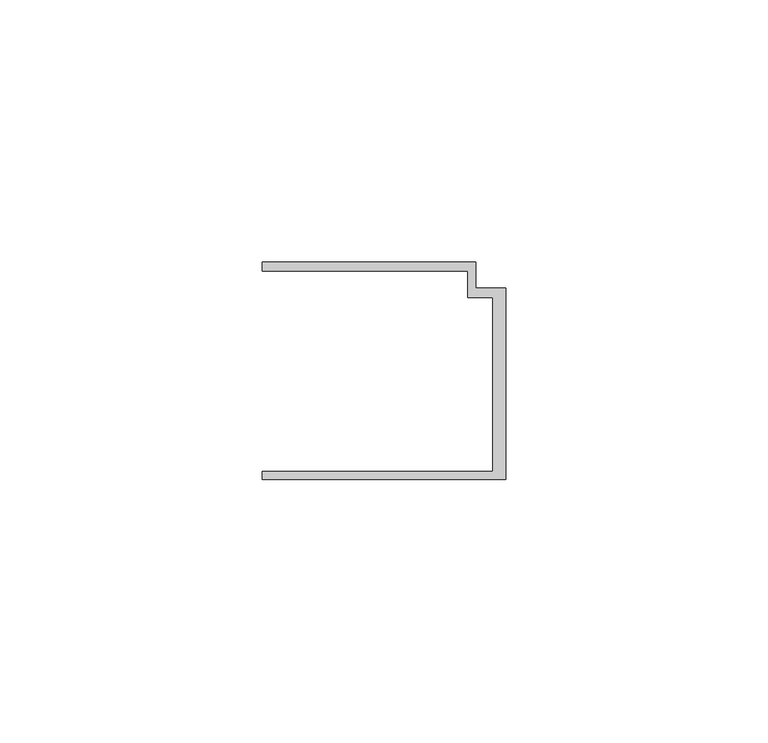
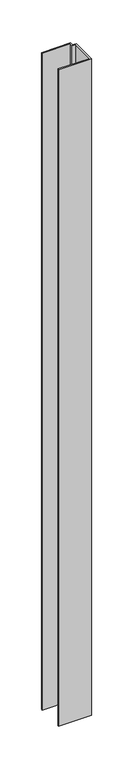
"""IFC4 building model written with IfcOpenShell, lengths in millimetres: member geometry."""

from ifc_helpers import new_model, si_unit, frame, origin, place, context, project, spatial, polyline, outline, extrude, source, transform, mapped, element, save


def member_c5847acc(model_context):
    return source(origin(), model_context, "Body", "SweptSolid", [
        extrude(outline(polyline([(-46.3, -19.2), (-2.4, -19.2), (-2.4, 14.0), (-7.2, 14.0), (-7.2, 19.0), (-46.3, 19.0), (-46.3, 20.7), (-5.6999992, 20.7), (-5.6999992, 15.8), (0.0, 15.8), (0.0, -20.7), (-46.3, -20.7), (-46.3, -19.2)])), frame((0.0, 0.0, -965.9810055), z_axis=(0.0, 0.0, 1.0), x_axis=(1.0, 0.0, 0.0)), (0.0, 0.0, 1.0), 965.9810055),
    ])


if __name__ == "__main__":
    model = new_model("IFC4")
    model_context = context("Model", 3, world=origin())
    ifc_project = project(units=[si_unit("LENGTHUNIT", "METRE", prefix="MILLI")], contexts=[model_context])
    site = spatial("IfcSite", under=ifc_project)
    building = spatial("IfcBuilding", under=site)
    placement = place(None, origin())
    member_shape = member_c5847acc(model_context)
    element("IfcMember", 1, at=placement, inside=building, context=model_context, shape_type="MappedRepresentation", body=[
        mapped(member_shape, transform((0.0, 0.0, 0.0), x_axis=(1.0, 0.0, 0.0), y_axis=(0.0, 1.0, 0.0), z_axis=(0.0, 0.0, 1.0))),
    ])
    save(model, "model.ifc")
